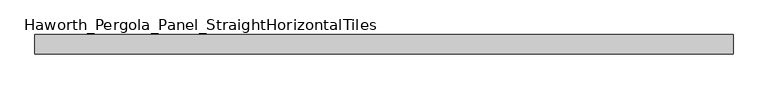
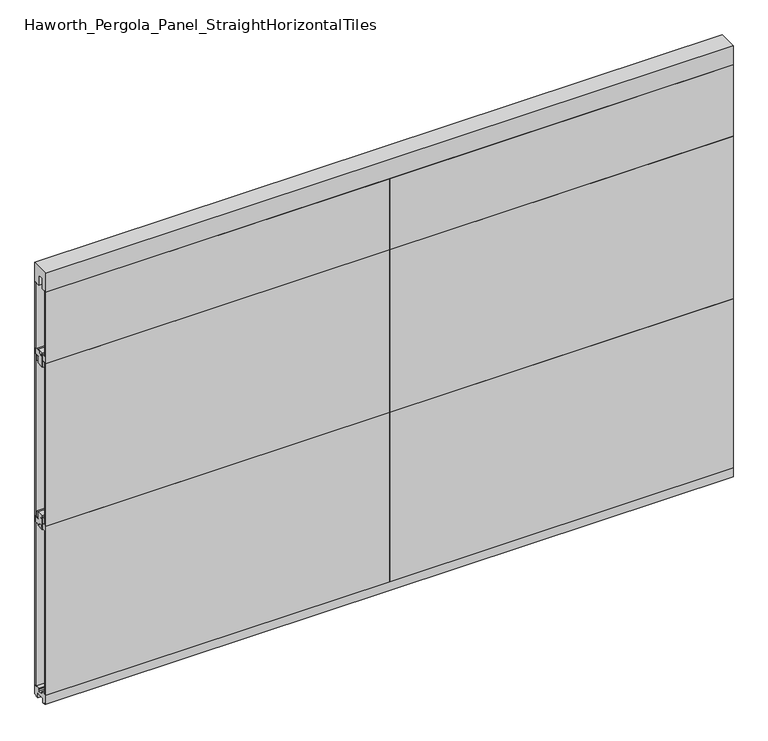
"""IFC4 building model written with IfcOpenShell, lengths in millimetres: furniture geometry, Haworth_Pergola_Panel_StraightHorizontalTiles."""

from ifc_helpers import new_model, si_unit, frame, origin, place, context, project, spatial, polyline, outline, extrude, source, transform, mapped, element, save


def haworth_pergola_panel_straighthorizontaltiles_3a19913a(model_context):
    return source(origin(), model_context, "Body", "SweptSolid", [
        extrude(outline(polyline([(12.7, 984.25), (12.7, 996.95), (-12.7, 996.95), (-12.7, 984.25), (-44.45, 984.25), (-44.45, 1016.0), (-19.05, 1016.0), (-19.05, 1054.1), (19.05, 1054.1), (19.05, 1016.0), (44.45, 1016.0), (44.45, 984.25), (12.7, 984.25)])), frame((38.1, 0.0, 0.0), z_axis=(1.0, 0.0, 0.0), x_axis=(0.0, 1.0, 0.0)), (0.0, 0.0, 1.0), 1828.8),
        extrude(outline(polyline([(12.7, 1962.15), (44.45, 1962.15), (44.45, 1930.4), (19.05, 1930.4), (19.05, 1892.3), (-19.05, 1892.3), (-19.05, 1930.4), (-44.45, 1930.4), (-44.45, 1962.15), (-12.7, 1962.15), (-12.7, 1949.45), (12.7, 1949.45), (12.7, 1962.15)])), frame((38.1, 0.0, 0.0), z_axis=(1.0, 0.0, 0.0), x_axis=(0.0, 1.0, 0.0)), (0.0, 0.0, 1.0), 1828.8),
        extrude(outline(polyline([(38.1, 50.8), (1866.9, 50.8), (1866.9, 38.1), (38.1, 38.1), (38.1, 50.8)])), frame((0.0, 0.0, 1016.0), z_axis=(0.0, 0.0, 1.0), x_axis=(1.0, 0.0, 0.0)), (0.0, 0.0, 1.0), 914.4),
        extrude(outline(polyline([(38.1, -38.1), (1866.9, -38.1), (1866.9, -50.8), (38.1, -50.8), (38.1, -38.1)])), frame((0.0, 0.0, 1016.0), z_axis=(0.0, 0.0, 1.0), x_axis=(1.0, 0.0, 0.0)), (0.0, 0.0, 1.0), 914.4),
        extrude(outline(polyline([(12.7, 1898.65), (12.7, 1911.35), (-12.7, 1911.35), (-12.7, 1898.65), (-44.45, 1898.65), (-44.45, 1930.4), (-19.05, 1930.4), (-19.05, 1968.5), (19.05, 1968.5), (19.05, 1930.4), (44.45, 1930.4), (44.45, 1898.65), (12.7, 1898.65)])), frame((38.1, 0.0, 0.0), z_axis=(1.0, 0.0, 0.0), x_axis=(0.0, 1.0, 0.0)), (0.0, 0.0, 1.0), 1828.8),
        extrude(outline(polyline([(38.1, 50.8), (1866.9, 50.8), (1866.9, 38.1), (38.1, 38.1), (38.1, 50.8)])), frame((0.0, 0.0, 1930.4), z_axis=(0.0, 0.0, 1.0), x_axis=(1.0, 0.0, 0.0)), (0.0, 0.0, 1.0), 401.4390625),
        extrude(outline(polyline([(38.1, -38.1), (1866.9, -38.1), (1866.9, -50.8), (38.1, -50.8), (38.1, -38.1)])), frame((0.0, 0.0, 1930.4), z_axis=(0.0, 0.0, 1.0), x_axis=(1.0, 0.0, 0.0)), (0.0, 0.0, 1.0), 401.4390625),
        extrude(outline(polyline([(12.7, 1047.75), (44.45, 1047.75), (44.45, 1016.0), (19.05, 1016.0), (19.05, 977.9), (-19.05, 977.9), (-19.05, 1016.0), (-44.45, 1016.0), (-44.45, 1047.75), (-12.7, 1047.75), (-12.7, 1035.05), (12.7, 1035.05), (12.7, 1047.75)])), frame((38.1, 0.0, 0.0), z_axis=(1.0, 0.0, 0.0), x_axis=(0.0, 1.0, 0.0)), (0.0, 0.0, 1.0), 1828.8),
        extrude(outline(polyline([(38.1, 50.8), (1866.9, 50.8), (1866.9, 38.1), (38.1, 38.1), (38.1, 50.8)])), frame((0.0, 0.0, 63.5), z_axis=(0.0, 0.0, 1.0), x_axis=(1.0, 0.0, 0.0)), (0.0, 0.0, 1.0), 952.5),
        extrude(outline(polyline([(38.1, -38.1), (1866.9, -38.1), (1866.9, -50.8), (38.1, -50.8), (38.1, -38.1)])), frame((0.0, 0.0, 63.5), z_axis=(0.0, 0.0, 1.0), x_axis=(1.0, 0.0, 0.0)), (0.0, 0.0, 1.0), 952.5),
        extrude(outline(polyline([(12.7, 984.25), (12.7, 996.95), (-12.7, 996.95), (-12.7, 984.25), (-44.45, 984.25), (-44.45, 1016.0), (-19.05, 1016.0), (-19.05, 1054.1), (19.05, 1054.1), (19.05, 1016.0), (44.45, 1016.0), (44.45, 984.25), (12.7, 984.25)])), frame((-1790.7, 0.0, 0.0), z_axis=(1.0, 0.0, 0.0), x_axis=(0.0, 1.0, 0.0)), (0.0, 0.0, 1.0), 1828.8),
        extrude(outline(polyline([(12.7, 1962.15), (44.45, 1962.15), (44.45, 1930.4), (19.05, 1930.4), (19.05, 1892.3), (-19.05, 1892.3), (-19.05, 1930.4), (-44.45, 1930.4), (-44.45, 1962.15), (-12.7, 1962.15), (-12.7, 1949.45), (12.7, 1949.45), (12.7, 1962.15)])), frame((-1790.7, 0.0, 0.0), z_axis=(1.0, 0.0, 0.0), x_axis=(0.0, 1.0, 0.0)), (0.0, 0.0, 1.0), 1828.8),
        extrude(outline(polyline([(-1790.7, 50.8), (38.1, 50.8), (38.1, 38.1), (-1790.7, 38.1), (-1790.7, 50.8)])), frame((0.0, 0.0, 1016.0), z_axis=(0.0, 0.0, 1.0), x_axis=(1.0, 0.0, 0.0)), (0.0, 0.0, 1.0), 914.4),
        extrude(outline(polyline([(-1790.7, -38.1), (38.1, -38.1), (38.1, -50.8), (-1790.7, -50.8), (-1790.7, -38.1)])), frame((0.0, 0.0, 1016.0), z_axis=(0.0, 0.0, 1.0), x_axis=(1.0, 0.0, 0.0)), (0.0, 0.0, 1.0), 914.4),
        extrude(outline(polyline([(12.7, 1898.65), (12.7, 1911.35), (-12.7, 1911.35), (-12.7, 1898.65), (-44.45, 1898.65), (-44.45, 1930.4), (-19.05, 1930.4), (-19.05, 1968.5), (19.05, 1968.5), (19.05, 1930.4), (44.45, 1930.4), (44.45, 1898.65), (12.7, 1898.65)])), frame((-1790.7, 0.0, 0.0), z_axis=(1.0, 0.0, 0.0), x_axis=(0.0, 1.0, 0.0)), (0.0, 0.0, 1.0), 1828.8),
        extrude(outline(polyline([(-1790.7, 50.8), (38.1, 50.8), (38.1, 38.1), (-1790.7, 38.1), (-1790.7, 50.8)])), frame((0.0, 0.0, 1930.4), z_axis=(0.0, 0.0, 1.0), x_axis=(1.0, 0.0, 0.0)), (0.0, 0.0, 1.0), 401.4390625),
        extrude(outline(polyline([(-1790.7, -38.1), (38.1, -38.1), (38.1, -50.8), (-1790.7, -50.8), (-1790.7, -38.1)])), frame((0.0, 0.0, 1930.4), z_axis=(0.0, 0.0, 1.0), x_axis=(1.0, 0.0, 0.0)), (0.0, 0.0, 1.0), 401.4390625),
        extrude(outline(polyline([(12.7, 1047.75), (44.45, 1047.75), (44.45, 1016.0), (19.05, 1016.0), (19.05, 977.9), (-19.05, 977.9), (-19.05, 1016.0), (-44.45, 1016.0), (-44.45, 1047.75), (-12.7, 1047.75), (-12.7, 1035.05), (12.7, 1035.05), (12.7, 1047.75)])), frame((-1790.7, 0.0, 0.0), z_axis=(1.0, 0.0, 0.0), x_axis=(0.0, 1.0, 0.0)), (0.0, 0.0, 1.0), 1828.8),
        extrude(outline(polyline([(-1790.7, 50.8), (38.1, 50.8), (38.1, 38.1), (-1790.7, 38.1), (-1790.7, 50.8)])), frame((0.0, 0.0, 63.5), z_axis=(0.0, 0.0, 1.0), x_axis=(1.0, 0.0, 0.0)), (0.0, 0.0, 1.0), 952.5),
        extrude(outline(polyline([(-1790.7, -38.1), (38.1, -38.1), (38.1, -50.8), (-1790.7, -50.8), (-1790.7, -38.1)])), frame((0.0, 0.0, 63.5), z_axis=(0.0, 0.0, 1.0), x_axis=(1.0, 0.0, 0.0)), (0.0, 0.0, 1.0), 952.5),
        extrude(outline(polyline([(-50.8, 2438.4), (50.8, 2438.4), (50.8, 2331.8390625), (15.2182948, 2331.8390625), (15.2182948, 2388.7001663), (-15.2182948, 2388.7001663), (-15.2182948, 2331.8390625), (-50.8, 2331.8390625), (-50.8, 2438.4)])), frame((-1790.7, 0.0, 0.0), z_axis=(1.0, 0.0, 0.0), x_axis=(0.0, 1.0, 0.0)), (0.0, 0.0, 1.0), 3657.6),
        extrude(outline(polyline([(-16.2000002, 63.5), (-16.5085717, 61.7499999), (-13.3999996, 61.7499999), (-13.3999996, 58.8973461), (-15.4000002, 59.2499999), (-15.4000002, 48.3500004), (15.4000003, 48.3500004), (15.4000003, 59.2499999), (13.3999997, 58.8973461), (13.3999997, 61.7499999), (16.5085718, 61.7499999), (16.2000003, 63.5), (50.0000004, 63.5), (50.0000004, 12.6999985), (40.9499987, 12.6999985), (38.9499981, 10.6999979), (28.9499999, 10.6999979), (28.9499999, 7.6999994), (38.9499981, 7.6999994), (38.9499981, 5.6999988), (23.7499993, 5.6999988), (23.7499993, 31.4500009), (-23.7499992, 31.4500009), (-23.7499992, 5.6999988), (-38.949998, 5.6999988), (-38.949998, 7.6999994), (-28.9499998, 7.6999994), (-28.9499998, 10.6999979), (-38.949998, 10.6999979), (-40.9499986, 12.6999985), (-50.0000003, 12.6999985), (-50.0000003, 63.5), (-16.2000002, 63.5)])), frame((-1790.7, 0.0, 0.0), z_axis=(1.0, 0.0, 0.0), x_axis=(0.0, 1.0, 0.0)), (0.0, 0.0, 1.0), 3657.6),
    ])


if __name__ == "__main__":
    model = new_model("IFC4")
    model_context = context("Model", 3, world=origin())
    ifc_project = project(units=[si_unit("LENGTHUNIT", "METRE", prefix="MILLI")], contexts=[model_context])
    site = spatial("IfcSite", under=ifc_project)
    building = spatial("IfcBuilding", under=site)
    placement = place(None, origin())
    haworth_pergola_panel_straighthorizontaltiles_shape = haworth_pergola_panel_straighthorizontaltiles_3a19913a(model_context)
    element("IfcFurniture", 1, ObjectType="Haworth_Pergola_Panel_StraightHorizontalTiles", at=placement, inside=building, context=model_context, shape_type="MappedRepresentation", body=[
        mapped(haworth_pergola_panel_straighthorizontaltiles_shape, transform((0.0, 0.0, 0.0), x_axis=(1.0, 0.0, 0.0), y_axis=(0.0, 1.0, 0.0), z_axis=(0.0, 0.0, 1.0))),
    ])
    save(model, "model.ifc")
